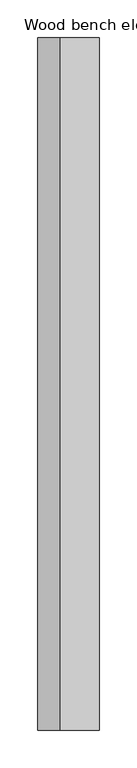
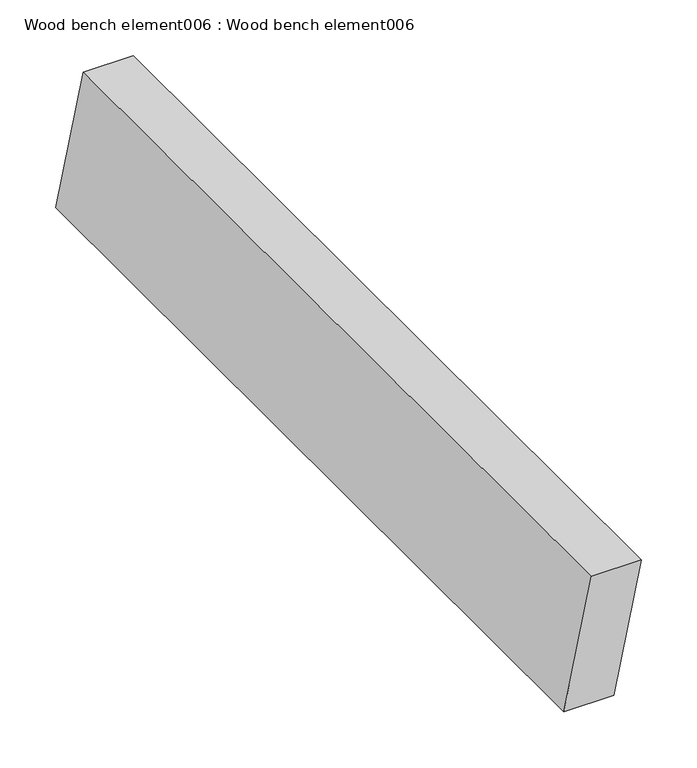
"""IFC4 building model written with IfcOpenShell, lengths in millimetres: proxy geometry, Wood bench element006 : Wood bench element006."""

from ifc_helpers import new_model, si_unit, frame, origin, place, context, project, spatial, polyline, outline, extrude, source, transform, mapped, element, save


def wood_bench_element006_wood_bench_element006_3af577ae(model_context):
    return source(origin(), model_context, "Body", "SweptSolid", [
        extrude(outline(polyline([(762.1420166, 38094.1862274), (762.1420166, 38042.2955062), (623.3062768, 38013.3713938), (623.3062768, 38065.2621149), (762.1420166, 38094.1862274)])), frame((0.0, -19576.8264268, 0.0), z_axis=(0.0, 1.0, 0.0), x_axis=(0.0, 0.0, 1.0)), (0.0, 0.0, 1.0), 914.4),
    ])


if __name__ == "__main__":
    model = new_model("IFC4")
    model_context = context("Model", 3, world=origin())
    ifc_project = project(units=[si_unit("LENGTHUNIT", "METRE", prefix="MILLI")], contexts=[model_context])
    site = spatial("IfcSite", under=ifc_project)
    building = spatial("IfcBuilding", under=site)
    placement = place(None, origin())
    wood_bench_element006_wood_bench_element006_shape = wood_bench_element006_wood_bench_element006_3af577ae(model_context)
    element("IfcBuildingElementProxy", 1, Name="Wood bench element006 : Wood bench element006", ObjectType="Wood bench element006 : Wood bench element006", at=placement, inside=building, context=model_context, shape_type="MappedRepresentation", body=[
        mapped(wood_bench_element006_wood_bench_element006_shape, transform((0.0, 0.0, 0.0), x_axis=(1.0, 0.0, 0.0), y_axis=(0.0, 1.0, 0.0), z_axis=(0.0, 0.0, 1.0))),
    ])
    save(model, "model.ifc")
